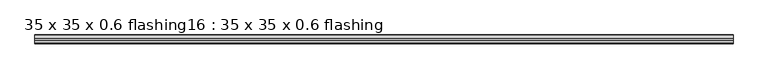
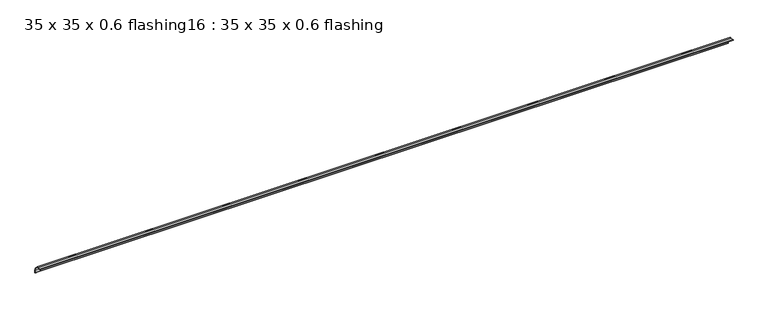
"""IFC4 building model written with IfcOpenShell, lengths in millimetres: proxy geometry, 35 x 35 x 0.6 flashing16 : 35 x 35 x 0.6 flashing."""

from ifc_helpers import new_model, si_unit, point, frame, frame_2d, origin, place, context, project, spatial, polyline, circle_curve, trimmed, segment, composite_curve, outline, extrude, source, transform, mapped, element, save


def proxy_35_x_35_x_0_6_flashing16_35_x_35_x_0_6_flashing_b2c1b3f6(model_context):
    return source(origin(), model_context, "Body", "SweptSolid", [
        extrude(outline(composite_curve([segment(polyline([(855.6461443, 1397.1787912), (855.6461443, 1412.7645777), (844.022008, 1424.3887139), (828.4362216, 1424.3887139)]), True, "CONTINUOUS"), segment(trimmed(circle_curve(frame_2d((828.4362216, 1425.3887139)), 1.0), [point((828.4362216, 1424.3887139))], [point((828.4362216, 1426.3887139))], False, "CARTESIAN"), True, "CONTINUOUS"), segment(polyline([(828.4362216, 1426.3887139), (837.468899, 1426.3887139), (837.468899, 1425.3887139), (844.4362216, 1425.3887139), (856.6461443, 1413.1787912), (856.6461443, 1406.2114686), (857.6461443, 1406.2114686), (857.6461443, 1397.1787912)]), True, "CONTINUOUS"), segment(trimmed(circle_curve(frame_2d((856.6461443, 1397.1787912)), 1.0), [point((857.6461443, 1397.1787912))], [point((855.6461443, 1397.1787912))], False, "CARTESIAN"), True, "CONTINUOUS")], self_intersect=False)), frame((4287.3395579, 0.0, 0.0), z_axis=(1.0, 0.0, 0.0), x_axis=(0.0, 1.0, 0.0)), (0.0, 0.0, 1.0), 2410.6438934),
    ])


if __name__ == "__main__":
    model = new_model("IFC4")
    model_context = context("Model", 3, world=origin())
    ifc_project = project(units=[si_unit("LENGTHUNIT", "METRE", prefix="MILLI")], contexts=[model_context])
    site = spatial("IfcSite", under=ifc_project)
    building = spatial("IfcBuilding", under=site)
    placement = place(None, origin())
    proxy_35_x_35_x_0_6_flashing16_35_x_35_x_0_6_flashing_shape = proxy_35_x_35_x_0_6_flashing16_35_x_35_x_0_6_flashing_b2c1b3f6(model_context)
    element("IfcBuildingElementProxy", 1, Name="35 x 35 x 0.6 flashing16 : 35 x 35 x 0.6 flashing", ObjectType="35 x 35 x 0.6 flashing16 : 35 x 35 x 0.6 flashing", at=placement, inside=building, context=model_context, shape_type="MappedRepresentation", body=[
        mapped(proxy_35_x_35_x_0_6_flashing16_35_x_35_x_0_6_flashing_shape, transform((0.0, 0.0, 0.0), x_axis=(1.0, 0.0, 0.0), y_axis=(0.0, 1.0, 0.0), z_axis=(0.0, 0.0, 1.0))),
    ])
    save(model, "model.ifc")
